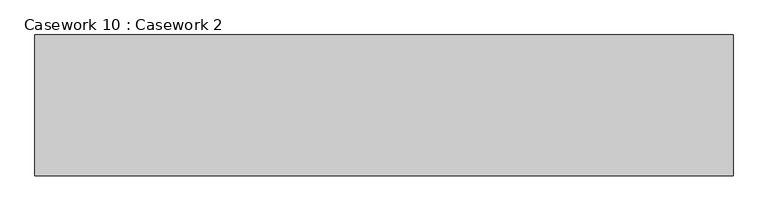
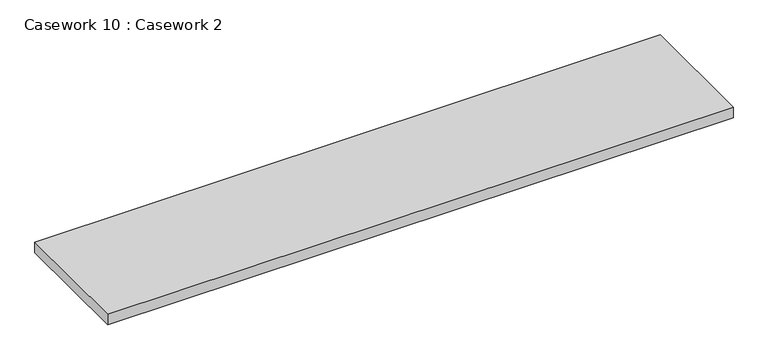
"""IFC4 building model written with IfcOpenShell, lengths in millimetres: furniture geometry, Casework 10 : Casework 2."""

from ifc_helpers import new_model, si_unit, frame, origin, place, context, project, spatial, polyline, outline, extrude, source, transform, mapped, element, save


def casework_10_casework_2_4b633d5c(model_context):
    return source(origin(), model_context, "Body", "SweptSolid", [
        extrude(outline(polyline([(-143133.8819878, 62531.1361016), (-143133.8819878, 61955.365723), (-145989.4044078, 61955.365723), (-145989.4044078, 62531.1361016), (-143133.8819878, 62531.1361016)])), frame((0.0, 0.0, 995.2155416), z_axis=(0.0, 0.0, 1.0), x_axis=(1.0, 0.0, 0.0)), (0.0, 0.0, 1.0), 51.1844584),
    ])


if __name__ == "__main__":
    model = new_model("IFC4")
    model_context = context("Model", 3, world=origin())
    ifc_project = project(units=[si_unit("LENGTHUNIT", "METRE", prefix="MILLI")], contexts=[model_context])
    site = spatial("IfcSite", under=ifc_project)
    building = spatial("IfcBuilding", under=site)
    placement = place(None, origin())
    casework_10_casework_2_shape = casework_10_casework_2_4b633d5c(model_context)
    element("IfcFurniture", 1, ObjectType="Casework 10 : Casework 2", at=placement, inside=building, context=model_context, shape_type="MappedRepresentation", body=[
        mapped(casework_10_casework_2_shape, transform((0.0, 0.0, 0.0), x_axis=(1.0, 0.0, 0.0), y_axis=(0.0, 1.0, 0.0), z_axis=(0.0, 0.0, 1.0))),
    ])
    save(model, "model.ifc")
